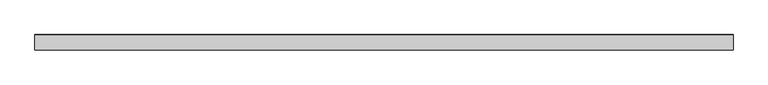
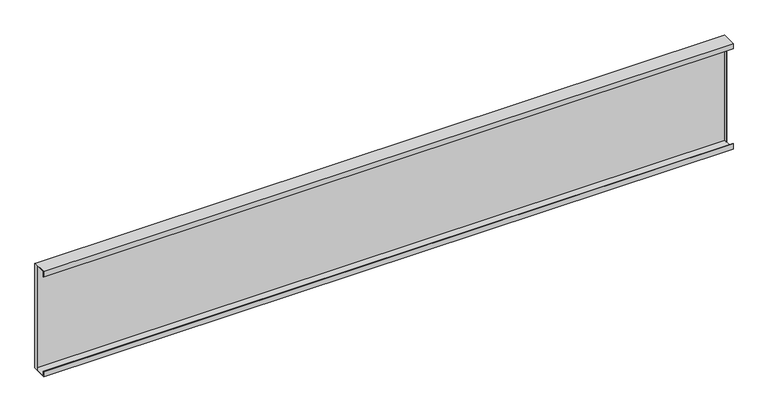
"""IFC4 building model written with IfcOpenShell, lengths in millimetres: plate geometry."""

import ifcopenshell
import ifcopenshell.guid

model = None  # the IFC model being written
_history = None  # IfcOwnerHistory: only IFC2X3 demands one
_inside = {}  # id of a spatial element -> (the spatial element, [elements in it])
_under = {}  # id of a project, library or spatial element -> (it, [spatial elements below it])
_declared = {}  # id of a project -> (the project, [libraries it declares])
_typed = {}  # id of a type object -> (the type object, [elements of that type])
_made_of = {}  # id of a material, layer set ... -> (it, [elements and type objects made of it])


def new_model(schema):
    """Start an empty IFC model of exactly this schema.

    Asked for "IFC4X3", IfcOpenShell would pick the latest addendum, in which some entities
    have other attributes; the version numbers below select the first issue.
    IFC2X3 requires an IfcOwnerHistory on every rooted entity: one is made here for all.
    """
    global model, _history
    if schema == "IFC4X3":
        model = ifcopenshell.file(schema_version=(4, 3, 0, 0))
    else:
        model = ifcopenshell.file(schema=schema)
    _inside.clear()
    _under.clear()
    _declared.clear()
    _typed.clear()
    _made_of.clear()
    _history = None
    if model.schema == "IFC2X3":
        org = make("IfcOrganization", Name="unknown")
        user = make(
            "IfcPersonAndOrganization",
            ThePerson=make("IfcPerson", FamilyName="unknown"),
            TheOrganization=org,
        )
        app = make(
            "IfcApplication",
            ApplicationDeveloper=org,
            Version="unknown",
            ApplicationFullName="unknown",
            ApplicationIdentifier="unknown",
        )
        _history = make(
            "IfcOwnerHistory",
            OwningUser=user,
            OwningApplication=app,
            ChangeAction="ADDED",
            CreationDate=0,
        )
    return model


def make(cls, **values):
    """One entity of the class cls with the attributes given. An attribute that is None is left unset."""
    return model.create_entity(
        cls, **{name: value for name, value in values.items() if value is not None}
    )


def rooted(cls, **values):
    """An entity with a GlobalId (a new one), such as an element, a storey or a relation."""
    return make(cls, GlobalId=ifcopenshell.guid.new(), OwnerHistory=_history, **values)


def si_unit(unit_type, name, prefix=None):
    """IfcSIUnit, for example si_unit("LENGTHUNIT", "METRE", prefix="MILLI")."""
    return make("IfcSIUnit", UnitType=unit_type, Prefix=prefix, Name=name)


def assignment(units):
    """IfcUnitAssignment: the units of a project."""
    return None if units is None else make("IfcUnitAssignment", Units=units)


def point(xyz):
    """IfcCartesianPoint."""
    return None if xyz is None else make("IfcCartesianPoint", Coordinates=xyz)


def direction(xyz):
    """IfcDirection."""
    return None if xyz is None else make("IfcDirection", DirectionRatios=xyz)


def frame(location, z_axis=None, x_axis=None):
    """IfcAxis2Placement3D, a coordinate frame: its origin and axes. An axis left out is left unset."""
    return make(
        "IfcAxis2Placement3D",
        Location=point(location),
        Axis=direction(z_axis),
        RefDirection=direction(x_axis),
    )


def origin():
    """The frame at (0, 0, 0) with its axes left unset."""
    return frame((0.0, 0.0, 0.0))


def place(relative_to, where):
    """IfcLocalPlacement: puts the frame where relative to a parent placement (None: the world)."""
    return make(
        "IfcLocalPlacement", PlacementRelTo=relative_to, RelativePlacement=where
    )


def context(
    kind, dimensions, precision=None, world=None, true_north=None, identifier=None
):
    """IfcGeometricRepresentationContext, for example the 3D "Model" context."""
    return make(
        "IfcGeometricRepresentationContext",
        ContextIdentifier=identifier,
        ContextType=kind,
        CoordinateSpaceDimension=dimensions,
        Precision=precision,
        WorldCoordinateSystem=world,
        TrueNorth=true_north,
    )


def project(units=None, contexts=None):
    """IfcProject with its units and contexts."""
    return rooted(
        "IfcProject",
        Name="project",
        RepresentationContexts=contexts,
        UnitsInContext=assignment(units),
    )


def spatial(cls, under=None, at=None, **own):
    """A site, building, storey or space (cls), placed at a placement, below another one or the project."""
    s = rooted(cls, ObjectPlacement=at, **own)
    if under is not None:
        _under.setdefault(under.id(), (under, []))[1].append(s)
    return s


def polyline(points):
    """IfcPolyline through the points."""
    return make("IfcPolyline", Points=[point(p) for p in points])


def outline(outer, holes=None, kind="AREA"):
    """IfcArbitraryClosedProfileDef: a profile drawn as a closed curve; with holes, ...WithVoids."""
    if holes is None:
        return make("IfcArbitraryClosedProfileDef", ProfileType=kind, OuterCurve=outer)
    return make(
        "IfcArbitraryProfileDefWithVoids",
        ProfileType=kind,
        OuterCurve=outer,
        InnerCurves=holes,
    )


def extrude(swept, where, along, depth):
    """IfcExtrudedAreaSolid: the profile swept, set in the frame where, extruded along a direction by depth."""
    return make(
        "IfcExtrudedAreaSolid",
        SweptArea=swept,
        Position=where,
        ExtrudedDirection=direction(along),
        Depth=depth,
    )


def faces_of(points, faces, orient=None, outer=None):
    """IfcFace entities. A face is a list of loops; a loop is a list of indices into points, from 0.

    orient and outer hold one flag for each loop. By default every Orientation is true, the
    first loop of a face is its IfcFaceOuterBound and the others are IfcFaceBound.
    """
    made = []
    for i, loops in enumerate(faces):
        bounds = []
        for j, loop in enumerate(loops):
            is_outer = j == 0 if outer is None else outer[i][j]
            bounds.append(
                make(
                    "IfcFaceOuterBound" if is_outer else "IfcFaceBound",
                    Bound=make("IfcPolyLoop", Polygon=[points[k] for k in loop]),
                    Orientation=True if orient is None else orient[i][j],
                )
            )
        made.append(make("IfcFace", Bounds=bounds))
    return made


def faceted_brep(points, faces, orient=None, outer=None, voids=None):
    """IfcFacetedBrep: a solid bounded by flat faces; with voids (closed shells), ...WithVoids."""
    shared = [point(p) for p in points]
    hull = make("IfcClosedShell", CfsFaces=faces_of(shared, faces, orient, outer))
    if voids is None:
        return make("IfcFacetedBrep", Outer=hull)
    return make(
        "IfcFacetedBrepWithVoids",
        Outer=hull,
        Voids=[
            make(cls, CfsFaces=faces_of(shared, fs, o, b)) for cls, fs, o, b in voids
        ],
    )


def shape(context_of_items, identifier, shape_type, items):
    """IfcShapeRepresentation: the items that make up one representation, for example the "Body"."""
    return make(
        "IfcShapeRepresentation",
        ContextOfItems=context_of_items,
        RepresentationIdentifier=identifier,
        RepresentationType=shape_type,
        Items=items,
    )


def source(mapping_origin, context_of_items, identifier, shape_type, items):
    """IfcRepresentationMap: a shape defined once, which mapped items show again and again."""
    return make(
        "IfcRepresentationMap",
        MappingOrigin=mapping_origin,
        MappedRepresentation=shape(context_of_items, identifier, shape_type, items),
    )


def transform(
    local_origin,
    x_axis=None,
    y_axis=None,
    z_axis=None,
    scale=None,
    scale2=None,
    scale3=None,
    uniform=True,
):
    """IfcCartesianTransformationOperator3D, or its non-uniform kind. x_axis, y_axis, z_axis: its Axis1, 2, 3."""
    if uniform:
        return make(
            "IfcCartesianTransformationOperator3D",
            Axis1=direction(x_axis),
            Axis2=direction(y_axis),
            LocalOrigin=point(local_origin),
            Scale=scale,
            Axis3=direction(z_axis),
        )
    return make(
        "IfcCartesianTransformationOperator3DnonUniform",
        Axis1=direction(x_axis),
        Axis2=direction(y_axis),
        LocalOrigin=point(local_origin),
        Scale=scale,
        Axis3=direction(z_axis),
        Scale2=scale2,
        Scale3=scale3,
    )


def mapped(mapping_source, mapping_target):
    """IfcMappedItem: shows the shape of a source again, moved by a transform."""
    return make(
        "IfcMappedItem", MappingSource=mapping_source, MappingTarget=mapping_target
    )


def made_of(thing, what):
    """Note that an element or type object is made of a material, layer set ...; save() writes the relation."""
    if what is not None:
        _made_of.setdefault(what.id(), (what, []))[1].append(thing)
    return thing


def element(
    cls,
    number,
    at=None,
    inside=None,
    cuts=None,
    type_object=None,
    material=None,
    context=None,
    identifier="Body",
    shape_type=None,
    held_by="IfcProductDefinitionShape",
    body=None,
    shapes=None,
    **own,
):
    """One element of the class cls, such as IfcWall. Its Tag is "e" and its number.

    at: its placement. inside: the storey or other place that contains it. cuts: it is an
    opening in that element (IfcRelVoidsElement). A single representation is given by context,
    identifier, shape_type and body (its items); several are given by shapes. held_by: the class
    of the entity that holds the representations. save() writes the other relations.
    """
    e = rooted(cls, Tag="e%d" % number, ObjectPlacement=at, **own)
    if body is not None:
        shapes = [shape(context, identifier, shape_type, body)]
    if shapes is not None:
        e.Representation = make(held_by, Representations=shapes)
    if inside is not None:
        _inside.setdefault(inside.id(), (inside, []))[1].append(e)
    if cuts is not None:
        rooted(
            "IfcRelVoidsElement", RelatingBuildingElement=cuts, RelatedOpeningElement=e
        )
    if type_object is not None:
        _typed.setdefault(type_object.id(), (type_object, []))[1].append(e)
    return made_of(e, material)


def aggregate(whole, parts):
    """IfcRelAggregates: a whole, such as a stair, and the parts it consists of."""
    return rooted("IfcRelAggregates", RelatingObject=whole, RelatedObjects=parts)


def save(model, path):
    """Write the relations noted so far, then the file.

    IfcRelAggregates (storeys below a building ...), IfcRelContainedInSpatialStructure (elements
    in a storey), IfcRelDefinesByType, IfcRelAssociatesMaterial and IfcRelDeclares: one each for
    every whole, place, type object, material and project.
    """
    for whole, parts in _under.values():
        aggregate(whole, parts)
    for where, things in _inside.values():
        rooted(
            "IfcRelContainedInSpatialStructure",
            RelatedElements=things,
            RelatingStructure=where,
        )
    for kind, things in _typed.values():
        rooted("IfcRelDefinesByType", RelatedObjects=things, RelatingType=kind)
    for what, things in _made_of.values():
        rooted("IfcRelAssociatesMaterial", RelatedObjects=things, RelatingMaterial=what)
    for by, libraries in _declared.values():
        rooted("IfcRelDeclares", RelatingContext=by, RelatedDefinitions=libraries)
    model.write(path)


def plate_724f56fa(model_context):
    return source(origin(), model_context, "Body", "SolidModel", [
        faceted_brep([(-917.7750002, 39.2, 296.4), (-917.7750002, 30.0, 296.4), (-917.7750002, 30.0, 0.8), (-917.7750002, 39.2, 0.8), (-917.7750002, 39.2, 10.0), (-917.7750002, 40.0, 10.0), (-917.7750002, 40.0, 287.2), (-917.7750002, 39.2, 287.2), (-918.5750002, 30.0, 296.4), (-918.5750002, 30.0, 0.8), (-918.5750002, 38.8, 297.2), (-918.5750002, 40.0, 296.0), (-918.5750002, 40.0, 1.15), (-918.5750002, 38.85, 0.0), (-918.5750002, 0.0, 0.0), (-918.5750002, 0.0, 15.0), (-918.5750002, 0.8, 15.0), (-918.5750002, 0.8, 0.8), (-918.5750002, 0.8, 296.4), (-918.5750002, 0.8, 282.2), (-918.5750002, 0.0, 282.2), (-918.5750002, 0.0, 297.2), (918.5750002, 38.85, 0.0), (918.5750002, 0.0, 0.0), (917.7750002, 38.85, 0.0), (918.5750002, 40.0, 296.0), (918.5750002, 40.0, 1.15), (917.7750002, 40.0, 10.0), (917.7750002, 40.0, 287.2), (918.5750002, 0.0, 297.2), (918.5750002, 38.8, 297.2), (917.7750002, 38.8, 297.2), (918.5750002, 0.0, 282.2), (918.5750002, 0.8, 282.2), (918.5750002, 0.8, 296.4), (918.5750002, 30.0, 296.4), (918.5750002, 30.0, 0.8), (918.5750002, 0.8, 0.8), (918.5750002, 0.8, 15.0), (918.5750002, 0.0, 15.0), (917.7750002, 39.2, 296.4), (917.7750002, 30.0, 296.4), (917.7750002, 39.2, 287.2), (917.7750002, 30.0, 0.8), (917.7750002, 39.2, 0.8), (917.7750002, 39.2, 10.0)], [[[0, 1, 2, 3, 4, 5, 6, 7]], [[1, 8, 9, 2]], [[10, 11, 12, 13, 14, 15, 16, 17, 9, 8, 18, 19, 20, 21]], [[22, 23, 14, 13, 24]], [[12, 11, 25, 26], [5, 27, 28, 6]], [[21, 29, 30, 31, 10]], [[26, 25, 30, 29, 32, 33, 34, 35, 36, 37, 38, 39, 23, 22]], [[32, 29, 21, 20]], [[33, 32, 20, 19]], [[34, 33, 19, 18]], [[34, 18, 8, 1, 0, 40, 41, 35]], [[0, 7, 42, 40]], [[7, 6, 28, 42]], [[23, 39, 15, 14]], [[39, 38, 16, 15]], [[38, 37, 17, 16]], [[17, 37, 36, 43, 44, 3, 2, 9]], [[4, 3, 44, 45]], [[5, 4, 45, 27]], [[13, 12, 26, 22, 24]], [[25, 11, 10, 31, 30]], [[28, 27, 45, 44, 43, 41, 40, 42]], [[36, 35, 41, 43]]]),
        extrude(outline(polyline([(917.7750002, 38.0), (-917.7750002, 38.0), (-917.7750002, 39.5), (917.7750002, 39.5), (917.7750002, 38.0)])), frame((0.0, 0.0, 0.8), z_axis=(0.0, 0.0, 1.0), x_axis=(1.0, 0.0, 0.0)), (0.0, 0.0, 1.0), 295.6),
        extrude(outline(polyline([(917.7750002, 39.2), (-917.7750002, 39.2), (-917.7750002, 40.0), (917.7750002, 40.0), (917.7750002, 39.2)])), frame((0.0, 0.0, 10.0), z_axis=(0.0, 0.0, 1.0), x_axis=(1.0, 0.0, 0.0)), (0.0, 0.0, 1.0), 277.2),
    ])


if __name__ == "__main__":
    model = new_model("IFC4")
    model_context = context("Model", 3, world=origin())
    ifc_project = project(units=[si_unit("LENGTHUNIT", "METRE", prefix="MILLI")], contexts=[model_context])
    site = spatial("IfcSite", under=ifc_project)
    building = spatial("IfcBuilding", under=site)
    placement = place(None, origin())
    plate_shape = plate_724f56fa(model_context)
    element("IfcPlate", 1, at=placement, inside=building, context=model_context, shape_type="MappedRepresentation", body=[
        mapped(plate_shape, transform((0.0, 0.0, 0.0), x_axis=(1.0, 0.0, 0.0), y_axis=(0.0, 1.0, 0.0), z_axis=(0.0, 0.0, 1.0))),
    ])
    save(model, "model.ifc")
